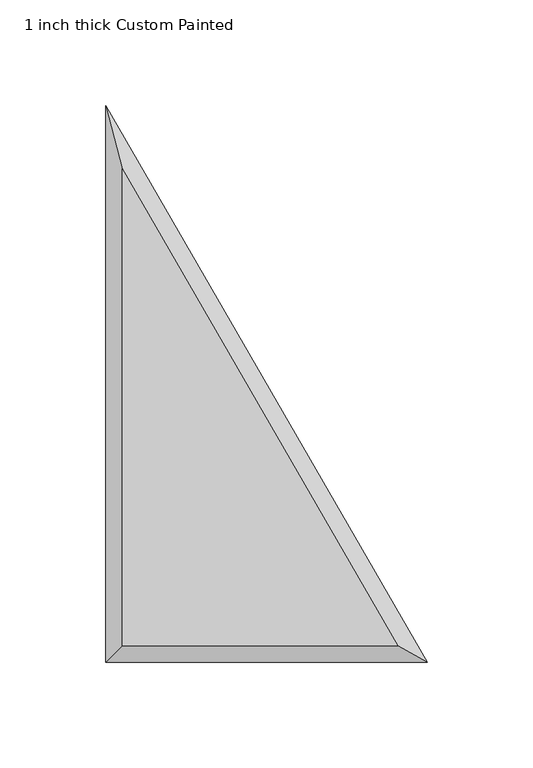
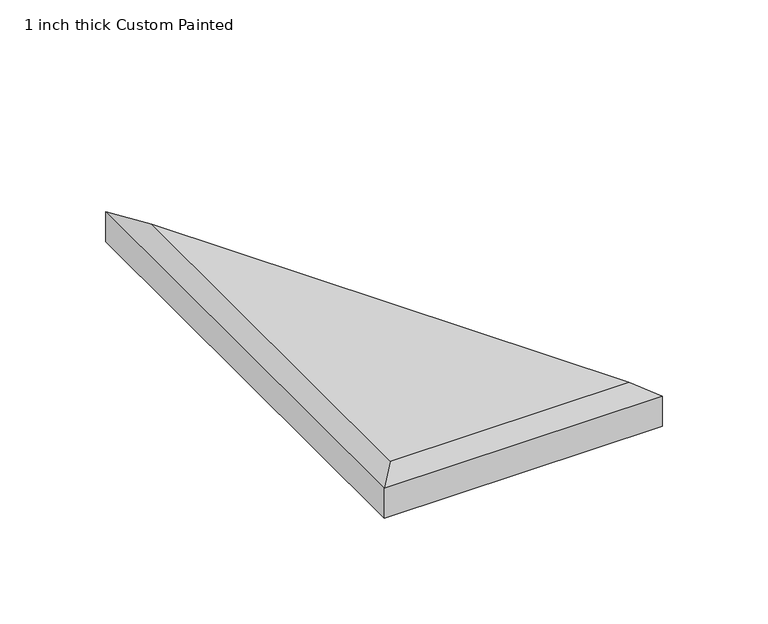
"""IFC4 building model written with IfcOpenShell, lengths in millimetres: proxy geometry, 1 inch thick Custom Painted."""

from ifc_helpers import new_model, si_unit, origin, place, context, project, spatial, faceted_brep, source, transform, mapped, element, save


def proxy_1_inch_thick_custom_painted_c8ea2598(model_context):
    return source(origin(), model_context, "Body", "Brep", [
        faceted_brep([(8.001, 234.1044046, 25.4), (8.001, 8.001, 25.4), (138.5418615, 8.001, 25.4), (152.4, 0.0, 0.0), (0.0, 0.0, 0.0), (0.0, 263.9645431, 0.0), (152.4, 0.0, 17.399), (0.0, 0.0, 17.399), (0.0, 263.9645431, 17.399)], [[[0, 1, 2]], [[3, 4, 5]], [[4, 3, 6, 7]], [[3, 5, 8, 6]], [[5, 4, 7, 8]], [[7, 1, 0, 8]], [[1, 7, 6, 2]], [[8, 0, 2, 6]]]),
    ])


if __name__ == "__main__":
    model = new_model("IFC4")
    model_context = context("Model", 3, world=origin())
    ifc_project = project(units=[si_unit("LENGTHUNIT", "METRE", prefix="MILLI")], contexts=[model_context])
    site = spatial("IfcSite", under=ifc_project)
    building = spatial("IfcBuilding", under=site)
    placement = place(None, origin())
    proxy_1_inch_thick_custom_painted_shape = proxy_1_inch_thick_custom_painted_c8ea2598(model_context)
    element("IfcBuildingElementProxy", 1, Name="1 inch thick Custom Painted", ObjectType="1 inch thick Custom Painted", at=placement, inside=building, context=model_context, shape_type="MappedRepresentation", body=[
        mapped(proxy_1_inch_thick_custom_painted_shape, transform((0.0, 0.0, 0.0), x_axis=(1.0, 0.0, 0.0), y_axis=(0.0, 1.0, 0.0), z_axis=(0.0, 0.0, 1.0))),
    ])
    save(model, "model.ifc")
